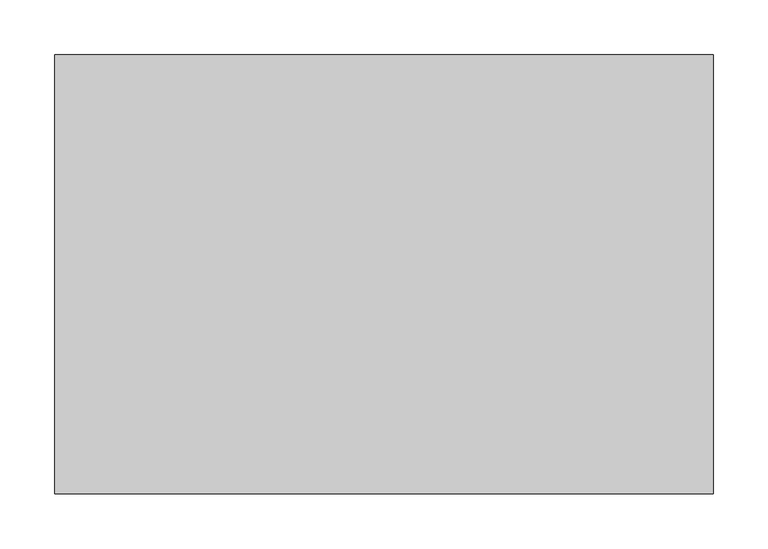
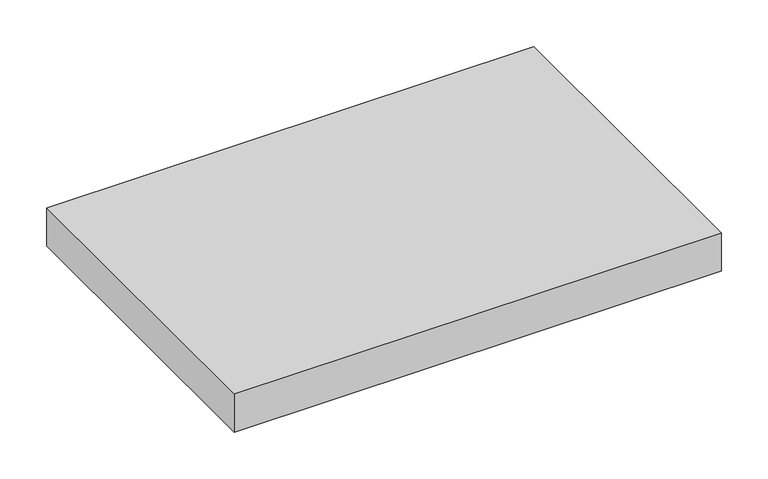
"""IFC4 building model written with IfcOpenShell, lengths in millimetres: proxy geometry."""

from ifc_helpers import new_model, si_unit, origin, origin_with_axes, place, context, project, spatial, polyline, outline, extrude, source, transform, mapped, element, save


def generic_models_6690364c(model_context):
    return source(origin(), model_context, "Body", "SweptSolid", [
        extrude(outline(polyline([(0.0, 400.0), (600.0, 400.0), (600.0, 0.0), (0.0, 0.0), (0.0, 400.0)])), origin_with_axes(), (0.0, 0.0, 1.0), 50.0),
    ])


if __name__ == "__main__":
    model = new_model("IFC4")
    model_context = context("Model", 3, world=origin())
    ifc_project = project(units=[si_unit("LENGTHUNIT", "METRE", prefix="MILLI")], contexts=[model_context])
    site = spatial("IfcSite", under=ifc_project)
    building = spatial("IfcBuilding", under=site)
    placement = place(None, origin())
    generic_models_shape = generic_models_6690364c(model_context)
    element("IfcBuildingElementProxy", 1, Name="Generic Models", at=placement, inside=building, context=model_context, shape_type="MappedRepresentation", body=[
        mapped(generic_models_shape, transform((0.0, 0.0, 0.0), x_axis=(1.0, 0.0, 0.0), y_axis=(0.0, 1.0, 0.0), z_axis=(0.0, 0.0, 1.0))),
    ])
    save(model, "model.ifc")
